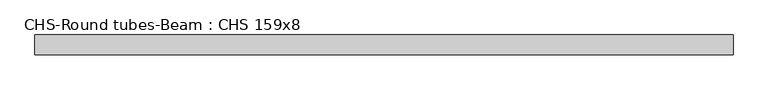
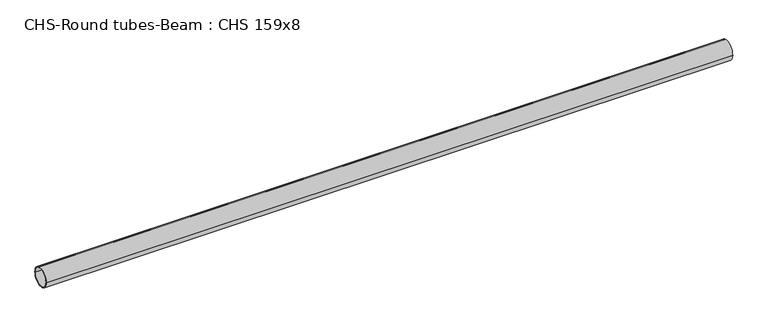
"""IFC4 building model written with IfcOpenShell, lengths in millimetres: beam geometry, CHS-Round tubes-Beam : CHS 159x8."""

import ifcopenshell
import ifcopenshell.guid

model = None  # the IFC model being written
_history = None  # IfcOwnerHistory: only IFC2X3 demands one
_inside = {}  # id of a spatial element -> (the spatial element, [elements in it])
_under = {}  # id of a project, library or spatial element -> (it, [spatial elements below it])
_declared = {}  # id of a project -> (the project, [libraries it declares])
_typed = {}  # id of a type object -> (the type object, [elements of that type])
_made_of = {}  # id of a material, layer set ... -> (it, [elements and type objects made of it])


def new_model(schema):
    """Start an empty IFC model of exactly this schema.

    Asked for "IFC4X3", IfcOpenShell would pick the latest addendum, in which some entities
    have other attributes; the version numbers below select the first issue.
    IFC2X3 requires an IfcOwnerHistory on every rooted entity: one is made here for all.
    """
    global model, _history
    if schema == "IFC4X3":
        model = ifcopenshell.file(schema_version=(4, 3, 0, 0))
    else:
        model = ifcopenshell.file(schema=schema)
    _inside.clear()
    _under.clear()
    _declared.clear()
    _typed.clear()
    _made_of.clear()
    _history = None
    if model.schema == "IFC2X3":
        org = make("IfcOrganization", Name="unknown")
        user = make(
            "IfcPersonAndOrganization",
            ThePerson=make("IfcPerson", FamilyName="unknown"),
            TheOrganization=org,
        )
        app = make(
            "IfcApplication",
            ApplicationDeveloper=org,
            Version="unknown",
            ApplicationFullName="unknown",
            ApplicationIdentifier="unknown",
        )
        _history = make(
            "IfcOwnerHistory",
            OwningUser=user,
            OwningApplication=app,
            ChangeAction="ADDED",
            CreationDate=0,
        )
    return model


def make(cls, **values):
    """One entity of the class cls with the attributes given. An attribute that is None is left unset."""
    return model.create_entity(
        cls, **{name: value for name, value in values.items() if value is not None}
    )


def rooted(cls, **values):
    """An entity with a GlobalId (a new one), such as an element, a storey or a relation."""
    return make(cls, GlobalId=ifcopenshell.guid.new(), OwnerHistory=_history, **values)


def si_unit(unit_type, name, prefix=None):
    """IfcSIUnit, for example si_unit("LENGTHUNIT", "METRE", prefix="MILLI")."""
    return make("IfcSIUnit", UnitType=unit_type, Prefix=prefix, Name=name)


def assignment(units):
    """IfcUnitAssignment: the units of a project."""
    return None if units is None else make("IfcUnitAssignment", Units=units)


def point(xyz):
    """IfcCartesianPoint."""
    return None if xyz is None else make("IfcCartesianPoint", Coordinates=xyz)


def direction(xyz):
    """IfcDirection."""
    return None if xyz is None else make("IfcDirection", DirectionRatios=xyz)


def frame(location, z_axis=None, x_axis=None):
    """IfcAxis2Placement3D, a coordinate frame: its origin and axes. An axis left out is left unset."""
    return make(
        "IfcAxis2Placement3D",
        Location=point(location),
        Axis=direction(z_axis),
        RefDirection=direction(x_axis),
    )


def frame_2d(location, x_axis=None):
    """IfcAxis2Placement2D, a coordinate frame in the plane: its origin and x axis."""
    return make(
        "IfcAxis2Placement2D", Location=point(location), RefDirection=direction(x_axis)
    )


def origin():
    """The frame at (0, 0, 0) with its axes left unset."""
    return frame((0.0, 0.0, 0.0))


def origin_2d():
    """The frame at (0, 0) in the plane with its x axis left unset."""
    return frame_2d((0.0, 0.0))


def place(relative_to, where):
    """IfcLocalPlacement: puts the frame where relative to a parent placement (None: the world)."""
    return make(
        "IfcLocalPlacement", PlacementRelTo=relative_to, RelativePlacement=where
    )


def context(
    kind, dimensions, precision=None, world=None, true_north=None, identifier=None
):
    """IfcGeometricRepresentationContext, for example the 3D "Model" context."""
    return make(
        "IfcGeometricRepresentationContext",
        ContextIdentifier=identifier,
        ContextType=kind,
        CoordinateSpaceDimension=dimensions,
        Precision=precision,
        WorldCoordinateSystem=world,
        TrueNorth=true_north,
    )


def project(units=None, contexts=None):
    """IfcProject with its units and contexts."""
    return rooted(
        "IfcProject",
        Name="project",
        RepresentationContexts=contexts,
        UnitsInContext=assignment(units),
    )


def spatial(cls, under=None, at=None, **own):
    """A site, building, storey or space (cls), placed at a placement, below another one or the project."""
    s = rooted(cls, ObjectPlacement=at, **own)
    if under is not None:
        _under.setdefault(under.id(), (under, []))[1].append(s)
    return s


def circle_curve(where, radius):
    """IfcCircle in the frame where."""
    return make("IfcCircle", Position=where, Radius=radius)


def trimmed(basis, trim1, trim2, sense, master):
    """IfcTrimmedCurve: the piece of a basis curve between two trims."""
    return make(
        "IfcTrimmedCurve",
        BasisCurve=basis,
        Trim1=trim1,
        Trim2=trim2,
        SenseAgreement=sense,
        MasterRepresentation=master,
    )


def segment(curve, same_sense, transition):
    """IfcCompositeCurveSegment."""
    return make(
        "IfcCompositeCurveSegment",
        Transition=transition,
        SameSense=same_sense,
        ParentCurve=curve,
    )


def composite_curve(segments, self_intersect=None):
    """IfcCompositeCurve: segments joined end to end."""
    return make("IfcCompositeCurve", Segments=segments, SelfIntersect=self_intersect)


def outline(outer, holes=None, kind="AREA"):
    """IfcArbitraryClosedProfileDef: a profile drawn as a closed curve; with holes, ...WithVoids."""
    if holes is None:
        return make("IfcArbitraryClosedProfileDef", ProfileType=kind, OuterCurve=outer)
    return make(
        "IfcArbitraryProfileDefWithVoids",
        ProfileType=kind,
        OuterCurve=outer,
        InnerCurves=holes,
    )


def extrude(swept, where, along, depth):
    """IfcExtrudedAreaSolid: the profile swept, set in the frame where, extruded along a direction by depth."""
    return make(
        "IfcExtrudedAreaSolid",
        SweptArea=swept,
        Position=where,
        ExtrudedDirection=direction(along),
        Depth=depth,
    )


def shape(context_of_items, identifier, shape_type, items):
    """IfcShapeRepresentation: the items that make up one representation, for example the "Body"."""
    return make(
        "IfcShapeRepresentation",
        ContextOfItems=context_of_items,
        RepresentationIdentifier=identifier,
        RepresentationType=shape_type,
        Items=items,
    )


def source(mapping_origin, context_of_items, identifier, shape_type, items):
    """IfcRepresentationMap: a shape defined once, which mapped items show again and again."""
    return make(
        "IfcRepresentationMap",
        MappingOrigin=mapping_origin,
        MappedRepresentation=shape(context_of_items, identifier, shape_type, items),
    )


def transform(
    local_origin,
    x_axis=None,
    y_axis=None,
    z_axis=None,
    scale=None,
    scale2=None,
    scale3=None,
    uniform=True,
):
    """IfcCartesianTransformationOperator3D, or its non-uniform kind. x_axis, y_axis, z_axis: its Axis1, 2, 3."""
    if uniform:
        return make(
            "IfcCartesianTransformationOperator3D",
            Axis1=direction(x_axis),
            Axis2=direction(y_axis),
            LocalOrigin=point(local_origin),
            Scale=scale,
            Axis3=direction(z_axis),
        )
    return make(
        "IfcCartesianTransformationOperator3DnonUniform",
        Axis1=direction(x_axis),
        Axis2=direction(y_axis),
        LocalOrigin=point(local_origin),
        Scale=scale,
        Axis3=direction(z_axis),
        Scale2=scale2,
        Scale3=scale3,
    )


def mapped(mapping_source, mapping_target):
    """IfcMappedItem: shows the shape of a source again, moved by a transform."""
    return make(
        "IfcMappedItem", MappingSource=mapping_source, MappingTarget=mapping_target
    )


def made_of(thing, what):
    """Note that an element or type object is made of a material, layer set ...; save() writes the relation."""
    if what is not None:
        _made_of.setdefault(what.id(), (what, []))[1].append(thing)
    return thing


def element(
    cls,
    number,
    at=None,
    inside=None,
    cuts=None,
    type_object=None,
    material=None,
    context=None,
    identifier="Body",
    shape_type=None,
    held_by="IfcProductDefinitionShape",
    body=None,
    shapes=None,
    **own,
):
    """One element of the class cls, such as IfcWall. Its Tag is "e" and its number.

    at: its placement. inside: the storey or other place that contains it. cuts: it is an
    opening in that element (IfcRelVoidsElement). A single representation is given by context,
    identifier, shape_type and body (its items); several are given by shapes. held_by: the class
    of the entity that holds the representations. save() writes the other relations.
    """
    e = rooted(cls, Tag="e%d" % number, ObjectPlacement=at, **own)
    if body is not None:
        shapes = [shape(context, identifier, shape_type, body)]
    if shapes is not None:
        e.Representation = make(held_by, Representations=shapes)
    if inside is not None:
        _inside.setdefault(inside.id(), (inside, []))[1].append(e)
    if cuts is not None:
        rooted(
            "IfcRelVoidsElement", RelatingBuildingElement=cuts, RelatedOpeningElement=e
        )
    if type_object is not None:
        _typed.setdefault(type_object.id(), (type_object, []))[1].append(e)
    return made_of(e, material)


def aggregate(whole, parts):
    """IfcRelAggregates: a whole, such as a stair, and the parts it consists of."""
    return rooted("IfcRelAggregates", RelatingObject=whole, RelatedObjects=parts)


def save(model, path):
    """Write the relations noted so far, then the file.

    IfcRelAggregates (storeys below a building ...), IfcRelContainedInSpatialStructure (elements
    in a storey), IfcRelDefinesByType, IfcRelAssociatesMaterial and IfcRelDeclares: one each for
    every whole, place, type object, material and project.
    """
    for whole, parts in _under.values():
        aggregate(whole, parts)
    for where, things in _inside.values():
        rooted(
            "IfcRelContainedInSpatialStructure",
            RelatedElements=things,
            RelatingStructure=where,
        )
    for kind, things in _typed.values():
        rooted("IfcRelDefinesByType", RelatedObjects=things, RelatingType=kind)
    for what, things in _made_of.values():
        rooted("IfcRelAssociatesMaterial", RelatedObjects=things, RelatingMaterial=what)
    for by, libraries in _declared.values():
        rooted("IfcRelDeclares", RelatingContext=by, RelatedDefinitions=libraries)
    model.write(path)


def chs_round_tubes_beam_chs_159x8_7b53e1e4(model_context):
    return source(origin(), model_context, "Body", "SweptSolid", [
        extrude(outline(composite_curve([segment(trimmed(circle_curve(origin_2d(), 79.5), [point((79.5, 0.0))], [point((-79.5, 0.0))], False, "CARTESIAN"), True, "CONTINUOUS"), segment(trimmed(circle_curve(origin_2d(), 79.5), [point((-79.5, 0.0))], [point((79.5, 0.0))], False, "CARTESIAN"), True, "CONTINUOUS")], self_intersect=False), holes=[composite_curve([segment(trimmed(circle_curve(origin_2d(), 71.5), [point((71.5, 0.0))], [point((-71.5, 0.0))], True, "CARTESIAN"), True, "CONTINUOUS"), segment(trimmed(circle_curve(origin_2d(), 71.5), [point((-71.5, 0.0))], [point((71.5, 0.0))], True, "CARTESIAN"), True, "CONTINUOUS")], self_intersect=False)]), frame((-2804.7808124, 0.0, 0.0), z_axis=(1.0, 0.0, 0.0), x_axis=(0.0, 1.0, 0.0)), (0.0, 0.0, 1.0), 5608.1407924),
    ])


if __name__ == "__main__":
    model = new_model("IFC4")
    model_context = context("Model", 3, world=origin())
    ifc_project = project(units=[si_unit("LENGTHUNIT", "METRE", prefix="MILLI")], contexts=[model_context])
    site = spatial("IfcSite", under=ifc_project)
    building = spatial("IfcBuilding", under=site)
    placement = place(None, origin())
    chs_round_tubes_beam_chs_159x8_shape = chs_round_tubes_beam_chs_159x8_7b53e1e4(model_context)
    element("IfcBeam", 1, ObjectType="CHS-Round tubes-Beam : CHS 159x8", at=placement, inside=building, context=model_context, shape_type="MappedRepresentation", body=[
        mapped(chs_round_tubes_beam_chs_159x8_shape, transform((0.0, 0.0, 0.0), x_axis=(1.0, 0.0, 0.0), y_axis=(0.0, 1.0, 0.0), z_axis=(0.0, 0.0, 1.0))),
    ])
    save(model, "model.ifc")
